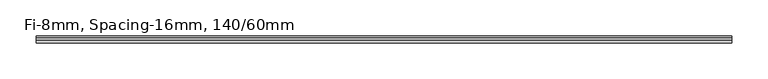
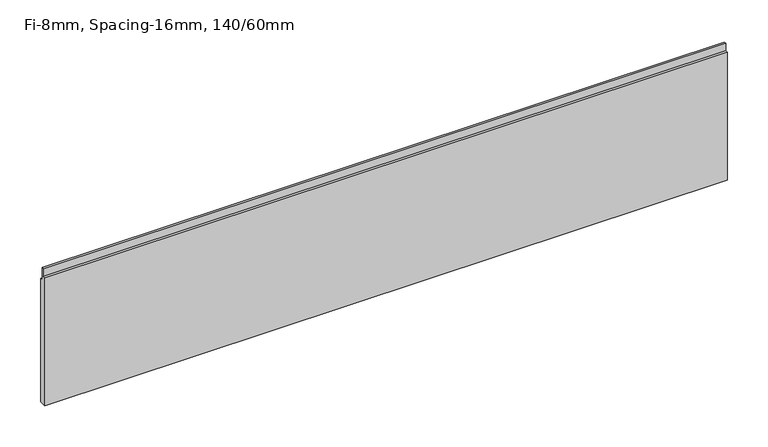
"""IFC4 building model written with IfcOpenShell, lengths in millimetres: plate geometry, Fi-8mm, Spacing-16mm, 140/60mm."""

from ifc_helpers import new_model, si_unit, frame, origin, place, context, project, spatial, polyline, outline, extrude, source, transform, mapped, element, save


def fi_8mm_spacing_16mm_140_60mm_a904e944(model_context):
    return source(origin(), model_context, "Body", "SweptSolid", [
        extrude(outline(polyline([(5.0, 0.0), (-5.0, 0.0), (-5.0, 191.3), (-1.0, 191.3), (-1.0, 202.3), (2.0, 202.3), (2.0, 184.3), (5.0, 184.3), (5.0, 0.0)])), frame((-482.25, 0.0, 0.0), z_axis=(1.0, 0.0, 0.0), x_axis=(0.0, 1.0, 0.0)), (0.0, 0.0, 1.0), 964.5),
    ])


if __name__ == "__main__":
    model = new_model("IFC4")
    model_context = context("Model", 3, world=origin())
    ifc_project = project(units=[si_unit("LENGTHUNIT", "METRE", prefix="MILLI")], contexts=[model_context])
    site = spatial("IfcSite", under=ifc_project)
    building = spatial("IfcBuilding", under=site)
    placement = place(None, origin())
    fi_8mm_spacing_16mm_140_60mm_shape = fi_8mm_spacing_16mm_140_60mm_a904e944(model_context)
    element("IfcPlate", 1, ObjectType="Fi-8mm, Spacing-16mm, 140/60mm", at=placement, inside=building, context=model_context, shape_type="MappedRepresentation", body=[
        mapped(fi_8mm_spacing_16mm_140_60mm_shape, transform((0.0, 0.0, 0.0), x_axis=(1.0, 0.0, 0.0), y_axis=(0.0, 1.0, 0.0), z_axis=(0.0, 0.0, 1.0))),
    ])
    save(model, "model.ifc")
